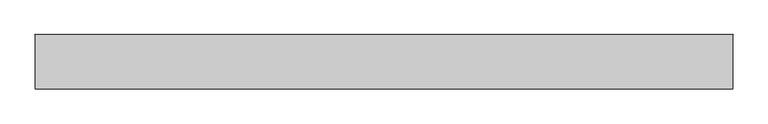
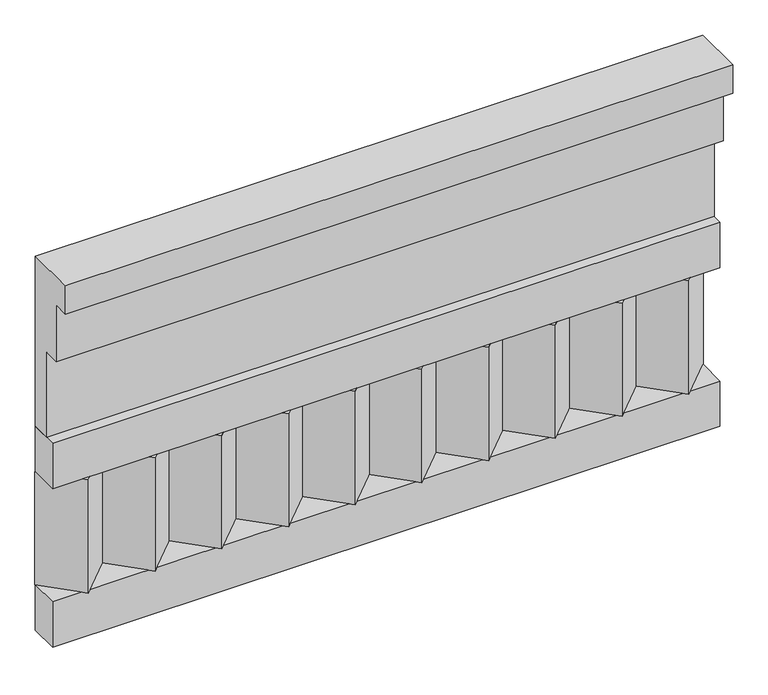
"""IFC4 building model written with IfcOpenShell, lengths in millimetres: railing geometry."""

from ifc_helpers import new_model, si_unit, frame, origin, place, context, project, spatial, polyline, outline, extrude, source, transform, mapped, element, save


def railing_6e4ef72d(model_context):
    return source(origin(), model_context, "Body", "SweptSolid", [
        extrude(outline(polyline([(-16816.8920513, 25100.0), (-16816.8920513, 24650.0), (-16866.8920513, 24650.0), (-16866.8920513, 24875.0), (-16906.8920513, 24875.0), (-16906.8920513, 25025.0), (-16946.8920513, 25025.0), (-16946.8920513, 25100.0), (-16816.8920513, 25100.0)])), frame((-22709.9887159, 0.0, 0.0), z_axis=(1.0, 0.0, 0.0), x_axis=(0.0, 1.0, 0.0)), (0.0, 0.0, 1.0), 1670.0),
        extrude(outline(polyline([(-22709.9887159, -16891.8920513), (-22709.9887159, -16816.8920513), (-21039.9887159, -16816.8920513), (-21039.9887159, -16891.8920513), (-22709.9887159, -16891.8920513)])), frame((0.0, 0.0, 24530.0), z_axis=(0.0, 0.0, 1.0), x_axis=(1.0, 0.0, 0.0)), (0.0, 0.0, 1.0), 120.0),
        extrude(outline(polyline([(-22709.9887159, -16891.8920513), (-22709.9887159, -16816.8920513), (-21039.9887159, -16816.8920513), (-21039.9887159, -16891.8920513), (-22709.9887159, -16891.8920513)])), frame((0.0, 0.0, 24110.0), z_axis=(0.0, 0.0, 1.0), x_axis=(1.0, 0.0, 0.0)), (0.0, 0.0, 1.0), 120.0),
        extrude(outline(polyline([(-21123.4887159, -16901.7448651), (-21208.3415296, -16816.8920513), (-21038.6359022, -16816.8920513), (-21123.4887159, -16901.7448651)])), frame((0.0, 0.0, 24230.0), z_axis=(0.0, 0.0, 1.0), x_axis=(1.0, 0.0, 0.0)), (0.0, 0.0, 1.0), 300.0),
        extrude(outline(polyline([(-21290.4887159, -16901.7448651), (-21375.3415296, -16816.8920513), (-21205.6359022, -16816.8920513), (-21290.4887159, -16901.7448651)])), frame((0.0, 0.0, 24230.0), z_axis=(0.0, 0.0, 1.0), x_axis=(1.0, 0.0, 0.0)), (0.0, 0.0, 1.0), 300.0),
        extrude(outline(polyline([(-21457.4887159, -16901.7448651), (-21542.3415296, -16816.8920513), (-21372.6359022, -16816.8920513), (-21457.4887159, -16901.7448651)])), frame((0.0, 0.0, 24230.0), z_axis=(0.0, 0.0, 1.0), x_axis=(1.0, 0.0, 0.0)), (0.0, 0.0, 1.0), 300.0),
        extrude(outline(polyline([(-21624.4887159, -16901.7448651), (-21709.3415296, -16816.8920513), (-21539.6359022, -16816.8920513), (-21624.4887159, -16901.7448651)])), frame((0.0, 0.0, 24230.0), z_axis=(0.0, 0.0, 1.0), x_axis=(1.0, 0.0, 0.0)), (0.0, 0.0, 1.0), 300.0),
        extrude(outline(polyline([(-21791.4887159, -16901.7448651), (-21876.3415296, -16816.8920513), (-21706.6359022, -16816.8920513), (-21791.4887159, -16901.7448651)])), frame((0.0, 0.0, 24230.0), z_axis=(0.0, 0.0, 1.0), x_axis=(1.0, 0.0, 0.0)), (0.0, 0.0, 1.0), 300.0),
        extrude(outline(polyline([(-21958.4887159, -16901.7448651), (-22043.3415296, -16816.8920513), (-21873.6359022, -16816.8920513), (-21958.4887159, -16901.7448651)])), frame((0.0, 0.0, 24230.0), z_axis=(0.0, 0.0, 1.0), x_axis=(1.0, 0.0, 0.0)), (0.0, 0.0, 1.0), 300.0),
        extrude(outline(polyline([(-22125.4887159, -16901.7448651), (-22210.3415296, -16816.8920513), (-22040.6359022, -16816.8920513), (-22125.4887159, -16901.7448651)])), frame((0.0, 0.0, 24230.0), z_axis=(0.0, 0.0, 1.0), x_axis=(1.0, 0.0, 0.0)), (0.0, 0.0, 1.0), 300.0),
        extrude(outline(polyline([(-22292.4887159, -16901.7448651), (-22377.3415296, -16816.8920513), (-22207.6359022, -16816.8920513), (-22292.4887159, -16901.7448651)])), frame((0.0, 0.0, 24230.0), z_axis=(0.0, 0.0, 1.0), x_axis=(1.0, 0.0, 0.0)), (0.0, 0.0, 1.0), 300.0),
        extrude(outline(polyline([(-22459.4887159, -16901.7448651), (-22544.3415296, -16816.8920513), (-22374.6359022, -16816.8920513), (-22459.4887159, -16901.7448651)])), frame((0.0, 0.0, 24230.0), z_axis=(0.0, 0.0, 1.0), x_axis=(1.0, 0.0, 0.0)), (0.0, 0.0, 1.0), 300.0),
        extrude(outline(polyline([(-22626.4887159, -16901.7448651), (-22711.3415296, -16816.8920513), (-22541.6359022, -16816.8920513), (-22626.4887159, -16901.7448651)])), frame((0.0, 0.0, 24230.0), z_axis=(0.0, 0.0, 1.0), x_axis=(1.0, 0.0, 0.0)), (0.0, 0.0, 1.0), 300.0),
    ])


if __name__ == "__main__":
    model = new_model("IFC4")
    model_context = context("Model", 3, world=origin())
    ifc_project = project(units=[si_unit("LENGTHUNIT", "METRE", prefix="MILLI")], contexts=[model_context])
    site = spatial("IfcSite", under=ifc_project)
    building = spatial("IfcBuilding", under=site)
    placement = place(None, origin())
    railing_shape = railing_6e4ef72d(model_context)
    element("IfcRailing", 1, at=placement, inside=building, context=model_context, shape_type="MappedRepresentation", body=[
        mapped(railing_shape, transform((0.0, 0.0, 0.0), x_axis=(1.0, 0.0, 0.0), y_axis=(0.0, 1.0, 0.0), z_axis=(0.0, 0.0, 1.0))),
    ])
    save(model, "model.ifc")
